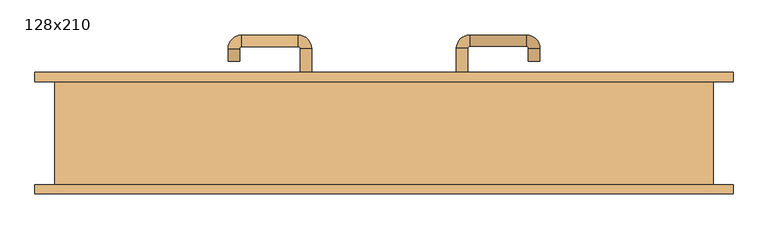
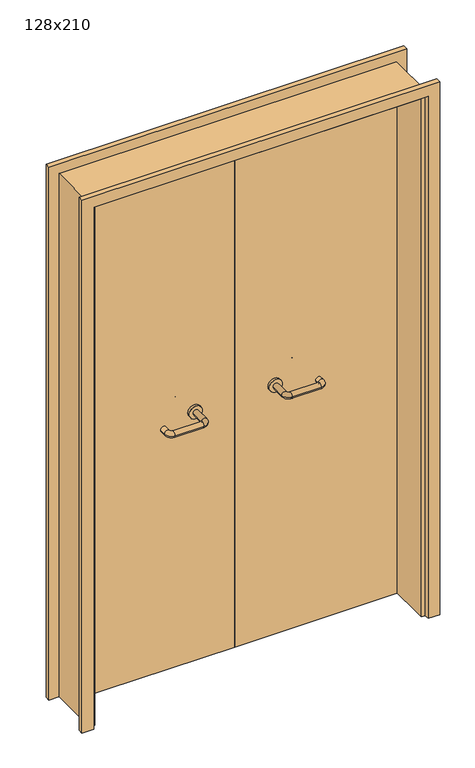
"""IFC4 building model written with IfcOpenShell, lengths in millimetres: door geometry, 128x210."""

from ifc_helpers import new_model, si_unit, point, frame, frame_2d, origin, place, context, project, spatial, polyline, circle_curve, ellipse_curve, trimmed, segment, composite_curve, outline, extrude, source, transform, mapped, element, save
from ifc_brep_helpers import plane_surface, cylinder_surface, revolved_surface, advanced_brep


def door_128x210_1048f79d(model_context):
    return source(origin(), model_context, "Body", "SolidModel", [
        extrude(outline(polyline([(2139.0, 679.0), (2139.0, -679.0), (0.0, -679.0), (0.0, -635.0), (2095.0, -635.0), (2095.0, 635.0), (0.0, 635.0), (0.0, 679.0), (2139.0, 679.0)])), frame((0.0, 100.0, 0.0), z_axis=(0.0, 1.0, 0.0), x_axis=(0.0, 0.0, 1.0)), (0.0, 0.0, 1.0), 18.0),
        extrude(outline(polyline([(2139.0, -679.0), (0.0, -679.0), (0.0, -635.0), (2095.0, -635.0), (2095.0, 635.0), (0.0, 635.0), (0.0, 679.0), (2139.0, 679.0), (2139.0, -679.0)])), frame((0.0, -118.0, 0.0), z_axis=(0.0, 1.0, 0.0), x_axis=(0.0, 0.0, 1.0)), (0.0, 0.0, 1.0), 18.0),
        extrude(outline(polyline([(2100.0, -640.0), (0.0, -640.0), (0.0, -620.0), (2080.0, -620.0), (2080.0, 620.0), (0.0, 620.0), (0.0, 640.0), (2100.0, 640.0), (2100.0, -640.0)])), frame((0.0, -99.0, 0.0), z_axis=(0.0, 1.0, 0.0), x_axis=(0.0, 0.0, 1.0)), (0.0, 0.0, 1.0), 199.0),
        advanced_brep(
        [(140.99898, 46.0, 1003.0), (162.99898, 46.0, 1003.0), (140.99898, -9.3525369, 1003.0), (162.99898, -9.3525369, 1003.0), (166.99898, -13.3525369, 1003.0), (166.99898, -35.3525369, 1003.0), (276.99898, -35.3525369, 1003.0), (276.99898, -13.3525369, 1003.0), (280.99898, -9.3525369, 1003.0), (302.99898, -9.3525369, 1003.0), (302.99898, 8.0, 1003.0), (280.99898, 8.0, 1003.0)],
        [
            (0, 1, circle_curve(frame((151.99898, 46.0, 1003.0), z_axis=(0.0, 1.0, 0.0), x_axis=(1.0, 0.0, 0.0)), 11.0)),
            (1, 0, circle_curve(frame((151.99898, 46.0, 1003.0), z_axis=(0.0, 1.0, 0.0), x_axis=(1.0, 0.0, 0.0)), 11.0)),
            (0, 2),
            (2, 3, circle_curve(frame((151.99898, -9.3525369, 1003.0), z_axis=(0.0, 1.0, 0.0), x_axis=(1.0, 0.0, 0.0)), 11.0)),
            (3, 1),
            (3, 2, circle_curve(frame((151.99898, -9.3525369, 1003.0), z_axis=(0.0, 1.0, 0.0), x_axis=(1.0, 0.0, 0.0)), 11.0)),
            (4, 3, circle_curve(frame((166.99898, -9.3525369, 1003.0), z_axis=(0.0, 0.0, -1.0), x_axis=(-1.0, 0.0, 0.0)), 4.0)),
            (2, 5, circle_curve(frame((166.99898, -9.3525369, 1003.0), z_axis=(0.0, 0.0, 1.0), x_axis=(-1.0, 0.0, 0.0)), 26.0)),
            (5, 4, circle_curve(frame((166.99898, -24.3525369, 1003.0), z_axis=(-1.0, 0.0, 0.0), x_axis=(0.0, 1.0, 0.0)), 11.0)),
            (4, 5, circle_curve(frame((166.99898, -24.3525369, 1003.0), z_axis=(-1.0, 0.0, 0.0), x_axis=(0.0, 1.0, 0.0)), 11.0)),
            (5, 6),
            (6, 7, circle_curve(frame((276.99898, -24.3525369, 1003.0), z_axis=(-1.0, 0.0, 0.0), x_axis=(0.0, 1.0, 0.0)), 11.0)),
            (7, 4),
            (7, 6, circle_curve(frame((276.99898, -24.3525369, 1003.0), z_axis=(-1.0, 0.0, 0.0), x_axis=(0.0, 1.0, 0.0)), 11.0)),
            (8, 7, circle_curve(frame((276.99898, -9.3525369, 1003.0), z_axis=(0.0, 0.0, -1.0), x_axis=(0.0, -1.0, 0.0)), 4.0)),
            (6, 9, circle_curve(frame((276.99898, -9.3525369, 1003.0), z_axis=(0.0, 0.0, 1.0), x_axis=(0.0, -1.0, 0.0)), 26.0)),
            (9, 8, circle_curve(frame((291.99898, -9.3525369, 1003.0), z_axis=(0.0, -1.0, 0.0), x_axis=(-1.0, 0.0, 0.0)), 11.0)),
            (8, 9, circle_curve(frame((291.99898, -9.3525369, 1003.0), z_axis=(0.0, -1.0, 0.0), x_axis=(-1.0, 0.0, 0.0)), 11.0)),
            (10, 11, circle_curve(frame((291.99898, 8.0, 1003.0), z_axis=(0.0, 1.0, 0.0), x_axis=(-1.0, 0.0, 0.0)), 11.0)),
            (11, 10, circle_curve(frame((291.99898, 8.0, 1003.0), z_axis=(0.0, 1.0, 0.0), x_axis=(-1.0, 0.0, 0.0)), 11.0)),
            (9, 10),
            (11, 8),
        ],
        [
            plane_surface(frame((140.99898, 46.0, 1003.0), z_axis=(0.0, 1.0, 0.0), x_axis=(0.0, 0.0, -1.0))),
            cylinder_surface(frame((151.99898, 46.0, 1003.0), z_axis=(0.0, 1.0, 0.0), x_axis=(1.0, 0.0, 0.0)), 11.0),
            revolved_surface(trimmed(ellipse_curve(frame((151.99898, -9.3525369, 1003.0), z_axis=(0.0, 1.0, 0.0), x_axis=(1.0, 0.0, 0.0)), 11.0, 11.0), [point((140.99898, -9.3525369, 1003.0))], [point((162.99898, -9.3525369, 1003.0))], True, "CARTESIAN"), (166.99898, -9.3525369, 1003.0), (0.0, 0.0, 1.0)),
            revolved_surface(trimmed(ellipse_curve(frame((151.99898, -9.3525369, 1003.0), z_axis=(0.0, 1.0, 0.0), x_axis=(1.0, 0.0, 0.0)), 11.0, 11.0), [point((162.99898, -9.3525369, 1003.0))], [point((140.99898, -9.3525369, 1003.0))], True, "CARTESIAN"), (166.99898, -9.3525369, 1003.0), (0.0, 0.0, 1.0)),
            cylinder_surface(frame((166.99898, -24.3525369, 1003.0), z_axis=(-1.0, 0.0, 0.0), x_axis=(0.0, 1.0, 0.0)), 11.0),
            revolved_surface(trimmed(ellipse_curve(frame((276.99898, -24.3525369, 1003.0), z_axis=(-1.0, 0.0, 0.0), x_axis=(0.0, 1.0, 0.0)), 11.0, 11.0), [point((276.99898, -35.3525369, 1003.0))], [point((276.99898, -13.3525369, 1003.0))], True, "CARTESIAN"), (276.99898, -9.3525369, 1003.0), (0.0, 0.0, 1.0)),
            revolved_surface(trimmed(ellipse_curve(frame((276.99898, -24.3525369, 1003.0), z_axis=(-1.0, 0.0, 0.0), x_axis=(0.0, 1.0, 0.0)), 11.0, 11.0), [point((276.99898, -13.3525369, 1003.0))], [point((276.99898, -35.3525369, 1003.0))], True, "CARTESIAN"), (276.99898, -9.3525369, 1003.0), (0.0, 0.0, 1.0)),
            plane_surface(frame((280.99898, 8.0, 1003.0), z_axis=(0.0, 1.0, 0.0), x_axis=(0.0, 0.0, 1.0))),
            cylinder_surface(frame((291.99898, -9.3525369, 1003.0), z_axis=(0.0, -1.0, 0.0), x_axis=(-1.0, 0.0, 0.0)), 11.0),
        ],
        [
            (0, [[1, 2]]),
            (1, [[-1, 3, 4, 5]]),
            (1, [[-2, -5, 6, -3]]),
            (2, [[7, -4, 8, 9]]),
            (3, [[-8, -6, -7, 10]]),
            (4, [[-9, 11, 12, 13]]),
            (4, [[-10, -13, 14, -11]]),
            (5, [[15, -12, 16, 17]]),
            (6, [[-16, -14, -15, 18]]),
            (7, [[19, 20]]),
            (8, [[-17, 21, -20, 22]]),
            (8, [[-18, -22, -19, -21]]),
        ],
    ),
        extrude(outline(composite_curve([segment(trimmed(circle_curve(frame_2d((1003.0, 151.99898)), 25.0), [point((1003.0, 126.99898))], [point((1003.0, 176.99898))], False, "CARTESIAN"), True, "CONTINUOUS"), segment(trimmed(circle_curve(frame_2d((1003.0, 151.99898)), 25.0), [point((1003.0, 176.99898))], [point((1003.0, 126.99898))], False, "CARTESIAN"), True, "CONTINUOUS")], self_intersect=False)), frame((0.0, 46.0, 0.0), z_axis=(0.0, 1.0, 0.0), x_axis=(0.0, 0.0, 1.0)), (0.0, 0.0, 1.0), 10.0),
        advanced_brep(
        [(162.99898, 110.0, 1003.0), (140.99898, 110.0, 1003.0), (162.99898, 165.0, 1003.0), (140.99898, 165.0, 1003.0), (166.99898, 191.0, 1003.0), (166.99898, 169.0, 1003.0), (276.99898, 169.0, 1003.0), (276.99898, 191.0, 1003.0), (302.99898, 165.0, 1003.0), (280.99898, 165.0, 1003.0), (280.99898, 140.0, 1003.0), (302.99898, 140.0, 1003.0)],
        [
            (0, 1, circle_curve(frame((151.99898, 110.0, 1003.0), z_axis=(0.0, -1.0, 0.0), x_axis=(-1.0, 0.0, 0.0)), 11.0)),
            (1, 0, circle_curve(frame((151.99898, 110.0, 1003.0), z_axis=(0.0, -1.0, 0.0), x_axis=(-1.0, 0.0, 0.0)), 11.0)),
            (0, 2),
            (2, 3, circle_curve(frame((151.99898, 165.0, 1003.0), z_axis=(0.0, -1.0, 0.0), x_axis=(-1.0, 0.0, 0.0)), 11.0)),
            (3, 1),
            (3, 2, circle_curve(frame((151.99898, 165.0, 1003.0), z_axis=(0.0, -1.0, 0.0), x_axis=(-1.0, 0.0, 0.0)), 11.0)),
            (4, 3, circle_curve(frame((166.99898, 165.0, 1003.0), z_axis=(0.0, 0.0, 1.0), x_axis=(-1.0, 0.0, 0.0)), 26.0)),
            (2, 5, circle_curve(frame((166.99898, 165.0, 1003.0), z_axis=(0.0, 0.0, -1.0), x_axis=(-1.0, 0.0, 0.0)), 4.0)),
            (5, 4, circle_curve(frame((166.99898, 180.0, 1003.0), z_axis=(-1.0, 0.0, 0.0), x_axis=(0.0, 1.0, 0.0)), 11.0)),
            (4, 5, circle_curve(frame((166.99898, 180.0, 1003.0), z_axis=(-1.0, 0.0, 0.0), x_axis=(0.0, 1.0, 0.0)), 11.0)),
            (5, 6),
            (6, 7, circle_curve(frame((276.99898, 180.0, 1003.0), z_axis=(-1.0, 0.0, 0.0), x_axis=(0.0, 1.0, 0.0)), 11.0)),
            (7, 4),
            (7, 6, circle_curve(frame((276.99898, 180.0, 1003.0), z_axis=(-1.0, 0.0, 0.0), x_axis=(0.0, 1.0, 0.0)), 11.0)),
            (8, 7, circle_curve(frame((276.99898, 165.0, 1003.0), z_axis=(0.0, 0.0, 1.0), x_axis=(0.0, 1.0, 0.0)), 26.0)),
            (6, 9, circle_curve(frame((276.99898, 165.0, 1003.0), z_axis=(0.0, 0.0, -1.0), x_axis=(0.0, 1.0, 0.0)), 4.0)),
            (9, 8, circle_curve(frame((291.99898, 165.0, 1003.0), z_axis=(0.0, 1.0, 0.0), x_axis=(1.0, 0.0, 0.0)), 11.0)),
            (8, 9, circle_curve(frame((291.99898, 165.0, 1003.0), z_axis=(0.0, 1.0, 0.0), x_axis=(1.0, 0.0, 0.0)), 11.0)),
            (10, 11, circle_curve(frame((291.99898, 140.0, 1003.0), z_axis=(0.0, -1.0, 0.0), x_axis=(1.0, 0.0, 0.0)), 11.0)),
            (11, 10, circle_curve(frame((291.99898, 140.0, 1003.0), z_axis=(0.0, -1.0, 0.0), x_axis=(1.0, 0.0, 0.0)), 11.0)),
            (9, 10),
            (11, 8),
        ],
        [
            plane_surface(frame((140.99898, 110.0, 1003.0), z_axis=(0.0, -1.0, 0.0), x_axis=(0.0, 0.0, 1.0))),
            cylinder_surface(frame((151.99898, 110.0, 1003.0), z_axis=(0.0, -1.0, 0.0), x_axis=(-1.0, 0.0, 0.0)), 11.0),
            revolved_surface(trimmed(ellipse_curve(frame((151.99898, 165.0, 1003.0), z_axis=(0.0, -1.0, 0.0), x_axis=(-1.0, 0.0, 0.0)), 11.0, 11.0), [point((162.99898, 165.0, 1003.0))], [point((140.99898, 165.0, 1003.0))], True, "CARTESIAN"), (166.99898, 165.0, 1003.0), (0.0, 0.0, -1.0)),
            revolved_surface(trimmed(ellipse_curve(frame((151.99898, 165.0, 1003.0), z_axis=(0.0, -1.0, 0.0), x_axis=(-1.0, 0.0, 0.0)), 11.0, 11.0), [point((140.99898, 165.0, 1003.0))], [point((162.99898, 165.0, 1003.0))], True, "CARTESIAN"), (166.99898, 165.0, 1003.0), (0.0, 0.0, -1.0)),
            cylinder_surface(frame((166.99898, 180.0, 1003.0), z_axis=(-1.0, 0.0, 0.0), x_axis=(0.0, 1.0, 0.0)), 11.0),
            revolved_surface(trimmed(ellipse_curve(frame((276.99898, 180.0, 1003.0), z_axis=(-1.0, 0.0, 0.0), x_axis=(0.0, 1.0, 0.0)), 11.0, 11.0), [point((276.99898, 169.0, 1003.0))], [point((276.99898, 191.0, 1003.0))], True, "CARTESIAN"), (276.99898, 165.0, 1003.0), (0.0, 0.0, -1.0)),
            revolved_surface(trimmed(ellipse_curve(frame((276.99898, 180.0, 1003.0), z_axis=(-1.0, 0.0, 0.0), x_axis=(0.0, 1.0, 0.0)), 11.0, 11.0), [point((276.99898, 191.0, 1003.0))], [point((276.99898, 169.0, 1003.0))], True, "CARTESIAN"), (276.99898, 165.0, 1003.0), (0.0, 0.0, -1.0)),
            plane_surface(frame((280.99898, 140.0, 1003.0), z_axis=(0.0, -1.0, 0.0), x_axis=(0.0, 0.0, -1.0))),
            cylinder_surface(frame((291.99898, 165.0, 1003.0), z_axis=(0.0, 1.0, 0.0), x_axis=(1.0, 0.0, 0.0)), 11.0),
        ],
        [
            (0, [[1, 2]]),
            (1, [[-1, 3, 4, 5]]),
            (1, [[-2, -5, 6, -3]]),
            (2, [[7, -4, 8, 9]]),
            (3, [[-8, -6, -7, 10]]),
            (4, [[-9, 11, 12, 13]]),
            (4, [[-10, -13, 14, -11]]),
            (5, [[15, -12, 16, 17]]),
            (6, [[-16, -14, -15, 18]]),
            (7, [[19, 20]]),
            (8, [[-17, 21, -20, 22]]),
            (8, [[-18, -22, -19, -21]]),
        ],
    ),
        extrude(outline(composite_curve([segment(trimmed(circle_curve(frame_2d((1003.0, 151.99898)), 25.0), [point((1003.0, 176.99898))], [point((1003.0, 126.99898))], False, "CARTESIAN"), True, "CONTINUOUS"), segment(trimmed(circle_curve(frame_2d((1003.0, 151.99898)), 25.0), [point((1003.0, 126.99898))], [point((1003.0, 176.99898))], False, "CARTESIAN"), True, "CONTINUOUS")], self_intersect=False)), frame((0.0, 100.0, 0.0), z_axis=(0.0, 1.0, 0.0), x_axis=(0.0, 0.0, 1.0)), (0.0, 0.0, 1.0), 10.0),
        advanced_brep(
        [(-162.99898, 45.6886121, 1003.0), (-140.99898, 45.6886121, 1003.0), (-162.99898, -9.7220447, 1003.0), (-140.99898, -9.7220447, 1003.0), (-166.99898, -35.7220447, 1003.0), (-166.99898, -13.7220447, 1003.0), (-276.99898, -13.7220447, 1003.0), (-276.99898, -35.7220447, 1003.0), (-302.99898, -9.7220447, 1003.0), (-280.99898, -9.7220447, 1003.0), (-280.99898, 15.2779553, 1003.0), (-302.99898, 15.2779553, 1003.0)],
        [
            (0, 1, circle_curve(frame((-151.99898, 45.6886121, 1003.0), z_axis=(0.0, 1.0, 0.0), x_axis=(1.0, 0.0, 0.0)), 11.0)),
            (1, 0, circle_curve(frame((-151.99898, 45.6886121, 1003.0), z_axis=(0.0, 1.0, 0.0), x_axis=(1.0, 0.0, 0.0)), 11.0)),
            (0, 2),
            (2, 3, circle_curve(frame((-151.99898, -9.7220447, 1003.0), z_axis=(0.0, 1.0, 0.0), x_axis=(1.0, 0.0, 0.0)), 11.0)),
            (3, 1),
            (3, 2, circle_curve(frame((-151.99898, -9.7220447, 1003.0), z_axis=(0.0, 1.0, 0.0), x_axis=(1.0, 0.0, 0.0)), 11.0)),
            (4, 3, circle_curve(frame((-166.99898, -9.7220447, 1003.0), z_axis=(0.0, 0.0, 1.0), x_axis=(1.0, 0.0, 0.0)), 26.0)),
            (2, 5, circle_curve(frame((-166.99898, -9.7220447, 1003.0), z_axis=(0.0, 0.0, -1.0), x_axis=(1.0, 0.0, 0.0)), 4.0)),
            (5, 4, circle_curve(frame((-166.99898, -24.7220447, 1003.0), z_axis=(1.0, 0.0, 0.0), x_axis=(0.0, -1.0, 0.0)), 11.0)),
            (4, 5, circle_curve(frame((-166.99898, -24.7220447, 1003.0), z_axis=(1.0, 0.0, 0.0), x_axis=(0.0, -1.0, 0.0)), 11.0)),
            (5, 6),
            (6, 7, circle_curve(frame((-276.99898, -24.7220447, 1003.0), z_axis=(1.0, 0.0, 0.0), x_axis=(0.0, -1.0, 0.0)), 11.0)),
            (7, 4),
            (7, 6, circle_curve(frame((-276.99898, -24.7220447, 1003.0), z_axis=(1.0, 0.0, 0.0), x_axis=(0.0, -1.0, 0.0)), 11.0)),
            (8, 7, circle_curve(frame((-276.99898, -9.7220447, 1003.0), z_axis=(0.0, 0.0, 1.0), x_axis=(0.0, -1.0, 0.0)), 26.0)),
            (6, 9, circle_curve(frame((-276.99898, -9.7220447, 1003.0), z_axis=(0.0, 0.0, -1.0), x_axis=(0.0, -1.0, 0.0)), 4.0)),
            (9, 8, circle_curve(frame((-291.99898, -9.7220447, 1003.0), z_axis=(0.0, -1.0, 0.0), x_axis=(-1.0, 0.0, 0.0)), 11.0)),
            (8, 9, circle_curve(frame((-291.99898, -9.7220447, 1003.0), z_axis=(0.0, -1.0, 0.0), x_axis=(-1.0, 0.0, 0.0)), 11.0)),
            (10, 11, circle_curve(frame((-291.99898, 15.2779553, 1003.0), z_axis=(0.0, 1.0, 0.0), x_axis=(-1.0, 0.0, 0.0)), 11.0)),
            (11, 10, circle_curve(frame((-291.99898, 15.2779553, 1003.0), z_axis=(0.0, 1.0, 0.0), x_axis=(-1.0, 0.0, 0.0)), 11.0)),
            (9, 10),
            (11, 8),
        ],
        [
            plane_surface(frame((-162.99898, 45.6886121, 1003.0), z_axis=(0.0, 1.0, 0.0), x_axis=(0.0, 0.0, -1.0))),
            cylinder_surface(frame((-151.99898, 45.6886121, 1003.0), z_axis=(0.0, 1.0, 0.0), x_axis=(1.0, 0.0, 0.0)), 11.0),
            revolved_surface(trimmed(ellipse_curve(frame((-151.99898, -9.7220447, 1003.0), z_axis=(0.0, 1.0, 0.0), x_axis=(1.0, 0.0, 0.0)), 11.0, 11.0), [point((-162.99898, -9.7220447, 1003.0))], [point((-140.99898, -9.7220447, 1003.0))], True, "CARTESIAN"), (-166.99898, -9.7220447, 1003.0), (0.0, 0.0, -1.0)),
            revolved_surface(trimmed(ellipse_curve(frame((-151.99898, -9.7220447, 1003.0), z_axis=(0.0, 1.0, 0.0), x_axis=(1.0, 0.0, 0.0)), 11.0, 11.0), [point((-140.99898, -9.7220447, 1003.0))], [point((-162.99898, -9.7220447, 1003.0))], True, "CARTESIAN"), (-166.99898, -9.7220447, 1003.0), (0.0, 0.0, -1.0)),
            cylinder_surface(frame((-166.99898, -24.7220447, 1003.0), z_axis=(1.0, 0.0, 0.0), x_axis=(0.0, -1.0, 0.0)), 11.0),
            revolved_surface(trimmed(ellipse_curve(frame((-276.99898, -24.7220447, 1003.0), z_axis=(1.0, 0.0, 0.0), x_axis=(0.0, -1.0, 0.0)), 11.0, 11.0), [point((-276.99898, -13.7220447, 1003.0))], [point((-276.99898, -35.7220447, 1003.0))], True, "CARTESIAN"), (-276.99898, -9.7220447, 1003.0), (0.0, 0.0, -1.0)),
            revolved_surface(trimmed(ellipse_curve(frame((-276.99898, -24.7220447, 1003.0), z_axis=(1.0, 0.0, 0.0), x_axis=(0.0, -1.0, 0.0)), 11.0, 11.0), [point((-276.99898, -35.7220447, 1003.0))], [point((-276.99898, -13.7220447, 1003.0))], True, "CARTESIAN"), (-276.99898, -9.7220447, 1003.0), (0.0, 0.0, -1.0)),
            plane_surface(frame((-302.99898, 15.2779553, 1003.0), z_axis=(0.0, 1.0, 0.0), x_axis=(0.0, 0.0, 1.0))),
            cylinder_surface(frame((-291.99898, -9.7220447, 1003.0), z_axis=(0.0, -1.0, 0.0), x_axis=(-1.0, 0.0, 0.0)), 11.0),
        ],
        [
            (0, [[1, 2]]),
            (1, [[-1, 3, 4, 5]]),
            (1, [[-2, -5, 6, -3]]),
            (2, [[7, -4, 8, 9]]),
            (3, [[-8, -6, -7, 10]]),
            (4, [[-9, 11, 12, 13]]),
            (4, [[-10, -13, 14, -11]]),
            (5, [[15, -12, 16, 17]]),
            (6, [[-16, -14, -15, 18]]),
            (7, [[19, 20]]),
            (8, [[-17, 21, -20, 22]]),
            (8, [[-18, -22, -19, -21]]),
        ],
    ),
        extrude(outline(composite_curve([segment(trimmed(circle_curve(frame_2d((1003.0, -151.99898)), 25.0), [point((1003.0, -176.99898))], [point((1003.0, -126.99898))], False, "CARTESIAN"), True, "CONTINUOUS"), segment(trimmed(circle_curve(frame_2d((1003.0, -151.99898)), 25.0), [point((1003.0, -126.99898))], [point((1003.0, -176.99898))], False, "CARTESIAN"), True, "CONTINUOUS")], self_intersect=False)), frame((0.0, 45.6886121, 0.0), z_axis=(0.0, 1.0, 0.0), x_axis=(0.0, 0.0, 1.0)), (0.0, 0.0, 1.0), 10.3113879),
        advanced_brep(
        [(-140.99898, 109.5143417, 1003.0), (-162.99898, 109.5143417, 1003.0), (-140.99898, 164.6104656, 1003.0), (-162.99898, 164.6104656, 1003.0), (-166.99898, 168.6104656, 1003.0), (-166.99898, 190.6104656, 1003.0), (-276.99898, 190.6104656, 1003.0), (-276.99898, 168.6104656, 1003.0), (-280.99898, 164.6104656, 1003.0), (-302.99898, 164.6104656, 1003.0), (-302.99898, 139.6104656, 1003.0), (-280.99898, 139.6104656, 1003.0)],
        [
            (0, 1, circle_curve(frame((-151.99898, 109.5143417, 1003.0), z_axis=(0.0, -1.0, 0.0), x_axis=(-1.0, 0.0, 0.0)), 11.0)),
            (1, 0, circle_curve(frame((-151.99898, 109.5143417, 1003.0), z_axis=(0.0, -1.0, 0.0), x_axis=(-1.0, 0.0, 0.0)), 11.0)),
            (0, 2),
            (2, 3, circle_curve(frame((-151.99898, 164.6104656, 1003.0), z_axis=(0.0, -1.0, 0.0), x_axis=(-1.0, 0.0, 0.0)), 11.0)),
            (3, 1),
            (3, 2, circle_curve(frame((-151.99898, 164.6104656, 1003.0), z_axis=(0.0, -1.0, 0.0), x_axis=(-1.0, 0.0, 0.0)), 11.0)),
            (4, 3, circle_curve(frame((-166.99898, 164.6104656, 1003.0), z_axis=(0.0, 0.0, -1.0), x_axis=(1.0, 0.0, 0.0)), 4.0)),
            (2, 5, circle_curve(frame((-166.99898, 164.6104656, 1003.0), z_axis=(0.0, 0.0, 1.0), x_axis=(1.0, 0.0, 0.0)), 26.0)),
            (5, 4, circle_curve(frame((-166.99898, 179.6104656, 1003.0), z_axis=(1.0, 0.0, 0.0), x_axis=(0.0, -1.0, 0.0)), 11.0)),
            (4, 5, circle_curve(frame((-166.99898, 179.6104656, 1003.0), z_axis=(1.0, 0.0, 0.0), x_axis=(0.0, -1.0, 0.0)), 11.0)),
            (5, 6),
            (6, 7, circle_curve(frame((-276.99898, 179.6104656, 1003.0), z_axis=(1.0, 0.0, 0.0), x_axis=(0.0, -1.0, 0.0)), 11.0)),
            (7, 4),
            (7, 6, circle_curve(frame((-276.99898, 179.6104656, 1003.0), z_axis=(1.0, 0.0, 0.0), x_axis=(0.0, -1.0, 0.0)), 11.0)),
            (8, 7, circle_curve(frame((-276.99898, 164.6104656, 1003.0), z_axis=(0.0, 0.0, -1.0), x_axis=(0.0, 1.0, 0.0)), 4.0)),
            (6, 9, circle_curve(frame((-276.99898, 164.6104656, 1003.0), z_axis=(0.0, 0.0, 1.0), x_axis=(0.0, 1.0, 0.0)), 26.0)),
            (9, 8, circle_curve(frame((-291.99898, 164.6104656, 1003.0), z_axis=(0.0, 1.0, 0.0), x_axis=(1.0, 0.0, 0.0)), 11.0)),
            (8, 9, circle_curve(frame((-291.99898, 164.6104656, 1003.0), z_axis=(0.0, 1.0, 0.0), x_axis=(1.0, 0.0, 0.0)), 11.0)),
            (10, 11, circle_curve(frame((-291.99898, 139.6104656, 1003.0), z_axis=(0.0, -1.0, 0.0), x_axis=(1.0, 0.0, 0.0)), 11.0)),
            (11, 10, circle_curve(frame((-291.99898, 139.6104656, 1003.0), z_axis=(0.0, -1.0, 0.0), x_axis=(1.0, 0.0, 0.0)), 11.0)),
            (9, 10),
            (11, 8),
        ],
        [
            plane_surface(frame((-162.99898, 109.5143417, 1003.0), z_axis=(0.0, -1.0, 0.0), x_axis=(0.0, 0.0, 1.0))),
            cylinder_surface(frame((-151.99898, 109.5143417, 1003.0), z_axis=(0.0, -1.0, 0.0), x_axis=(-1.0, 0.0, 0.0)), 11.0),
            revolved_surface(trimmed(ellipse_curve(frame((-151.99898, 164.6104656, 1003.0), z_axis=(0.0, -1.0, 0.0), x_axis=(-1.0, 0.0, 0.0)), 11.0, 11.0), [point((-140.99898, 164.6104656, 1003.0))], [point((-162.99898, 164.6104656, 1003.0))], True, "CARTESIAN"), (-166.99898, 164.6104656, 1003.0), (0.0, 0.0, 1.0)),
            revolved_surface(trimmed(ellipse_curve(frame((-151.99898, 164.6104656, 1003.0), z_axis=(0.0, -1.0, 0.0), x_axis=(-1.0, 0.0, 0.0)), 11.0, 11.0), [point((-162.99898, 164.6104656, 1003.0))], [point((-140.99898, 164.6104656, 1003.0))], True, "CARTESIAN"), (-166.99898, 164.6104656, 1003.0), (0.0, 0.0, 1.0)),
            cylinder_surface(frame((-166.99898, 179.6104656, 1003.0), z_axis=(1.0, 0.0, 0.0), x_axis=(0.0, -1.0, 0.0)), 11.0),
            revolved_surface(trimmed(ellipse_curve(frame((-276.99898, 179.6104656, 1003.0), z_axis=(1.0, 0.0, 0.0), x_axis=(0.0, -1.0, 0.0)), 11.0, 11.0), [point((-276.99898, 190.6104656, 1003.0))], [point((-276.99898, 168.6104656, 1003.0))], True, "CARTESIAN"), (-276.99898, 164.6104656, 1003.0), (0.0, 0.0, 1.0)),
            revolved_surface(trimmed(ellipse_curve(frame((-276.99898, 179.6104656, 1003.0), z_axis=(1.0, 0.0, 0.0), x_axis=(0.0, -1.0, 0.0)), 11.0, 11.0), [point((-276.99898, 168.6104656, 1003.0))], [point((-276.99898, 190.6104656, 1003.0))], True, "CARTESIAN"), (-276.99898, 164.6104656, 1003.0), (0.0, 0.0, 1.0)),
            plane_surface(frame((-302.99898, 139.6104656, 1003.0), z_axis=(0.0, -1.0, 0.0), x_axis=(0.0, 0.0, -1.0))),
            cylinder_surface(frame((-291.99898, 164.6104656, 1003.0), z_axis=(0.0, 1.0, 0.0), x_axis=(1.0, 0.0, 0.0)), 11.0),
        ],
        [
            (0, [[1, 2]]),
            (1, [[-1, 3, 4, 5]]),
            (1, [[-2, -5, 6, -3]]),
            (2, [[7, -4, 8, 9]]),
            (3, [[-8, -6, -7, 10]]),
            (4, [[-9, 11, 12, 13]]),
            (4, [[-10, -13, 14, -11]]),
            (5, [[15, -12, 16, 17]]),
            (6, [[-16, -14, -15, 18]]),
            (7, [[19, 20]]),
            (8, [[-17, 21, -20, 22]]),
            (8, [[-18, -22, -19, -21]]),
        ],
    ),
        extrude(outline(composite_curve([segment(trimmed(circle_curve(frame_2d((1003.0, -151.99898)), 25.0), [point((1003.0, -126.99898))], [point((1003.0, -176.99898))], False, "CARTESIAN"), True, "CONTINUOUS"), segment(trimmed(circle_curve(frame_2d((1003.0, -151.99898)), 25.0), [point((1003.0, -176.99898))], [point((1003.0, -126.99898))], False, "CARTESIAN"), True, "CONTINUOUS")], self_intersect=False)), frame((0.0, 100.0, 0.0), z_axis=(0.0, 1.0, 0.0), x_axis=(0.0, 0.0, 1.0)), (0.0, 0.0, 1.0), 9.5143417),
        extrude(outline(polyline([(1.0739506, 56.0), (-617.0, 56.0), (-617.0, 100.0), (1.0739506, 100.0), (1.0739506, 56.0)])), frame((0.0, 0.0, 1.753223), z_axis=(0.0, 0.0, 1.0), x_axis=(1.0, 0.0, 0.0)), (0.0, 0.0, 1.0), 2078.246777),
        extrude(outline(polyline([(617.0, 56.0), (1.0739506, 56.0), (1.0739506, 100.0), (617.0, 100.0), (617.0, 56.0)])), frame((0.0, 0.0, 1.753223), z_axis=(0.0, 0.0, 1.0), x_axis=(1.0, 0.0, 0.0)), (0.0, 0.0, 1.0), 2078.246777),
    ])


if __name__ == "__main__":
    model = new_model("IFC4")
    model_context = context("Model", 3, world=origin())
    ifc_project = project(units=[si_unit("LENGTHUNIT", "METRE", prefix="MILLI")], contexts=[model_context])
    site = spatial("IfcSite", under=ifc_project)
    building = spatial("IfcBuilding", under=site)
    placement = place(None, origin())
    door_128x210_shape = door_128x210_1048f79d(model_context)
    element("IfcDoor", 1, ObjectType="128x210", at=placement, inside=building, context=model_context, shape_type="MappedRepresentation", body=[
        mapped(door_128x210_shape, transform((0.0, 0.0, 0.0), x_axis=(1.0, 0.0, 0.0), y_axis=(0.0, 1.0, 0.0), z_axis=(0.0, 0.0, 1.0))),
    ])
    save(model, "model.ifc")
